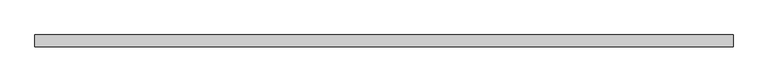
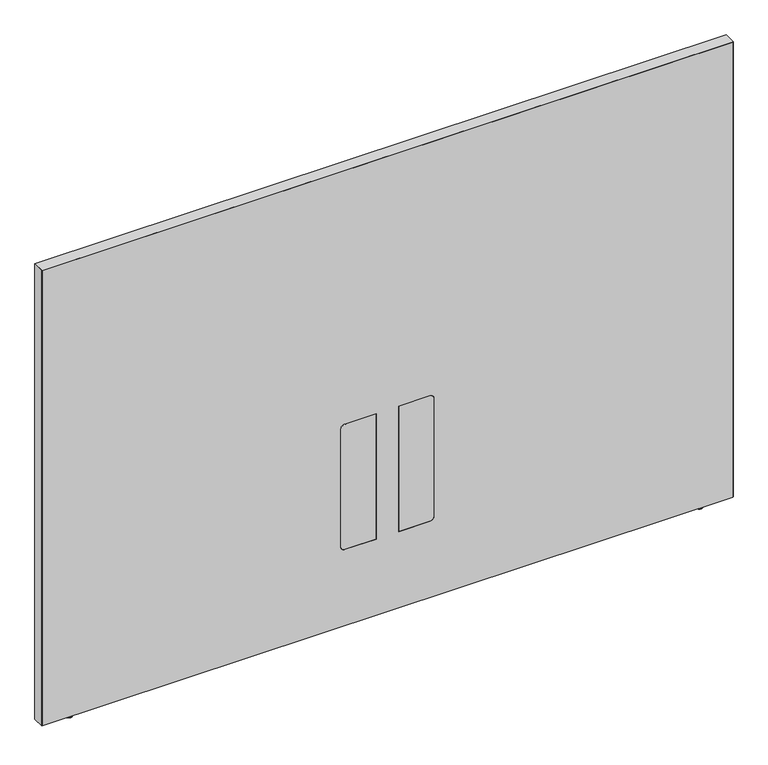
"""IFC4 building model written with IfcOpenShell, lengths in millimetres: furniture geometry."""

from ifc_helpers import new_model, si_unit, point, frame, frame_2d, origin, place, context, project, spatial, polyline, circle_curve, ellipse_curve, trimmed, segment, composite_curve, outline, extrude, source, transform, mapped, element, save
from ifc_brep_helpers import plane_surface, cylinder_surface, revolved_surface, advanced_brep


def furniture_38426107(model_context):
    return source(origin(), model_context, "Body", "SolidModel", [
        advanced_brep(
        [(-569.2902705, -14.8449166, 9.9059849), (-569.2902705, -5.9309607, 9.9059849), (-569.2902705, -23.7588726, 9.9059849), (-569.2902705, -5.9309607, 2.9673238), (-569.2902705, -23.7588726, 2.9673238), (-569.2902705, -6.8982978, 2.9673238), (-569.2902705, -22.7915354, 2.9673238), (-569.2902705, -6.8982978, 1.6569081), (-569.2902705, -22.7915354, 1.6569081), (-569.2902705, -8.5552059, 0.0), (-569.2902705, -21.1346274, 0.0), (-569.2902705, -14.8449166, 0.0)],
        [
            (0, 1),
            (1, 2, circle_curve(frame((-569.2902705, -14.8449166, 9.9059849), z_axis=(0.0, 0.0, 1.0), x_axis=(0.0, 1.0, 0.0)), 8.913956)),
            (2, 0),
            (2, 1, circle_curve(frame((-569.2902705, -14.8449166, 9.9059849), z_axis=(0.0, 0.0, 1.0), x_axis=(0.0, 1.0, 0.0)), 8.913956)),
            (1, 3),
            (3, 4, circle_curve(frame((-569.2902705, -14.8449166, 2.9673238), z_axis=(0.0, 0.0, 1.0), x_axis=(0.0, 1.0, 0.0)), 8.913956)),
            (4, 2),
            (4, 3, circle_curve(frame((-569.2902705, -14.8449166, 2.9673238), z_axis=(0.0, 0.0, 1.0), x_axis=(0.0, 1.0, 0.0)), 8.913956)),
            (3, 5),
            (5, 6, circle_curve(frame((-569.2902705, -14.8449166, 2.9673238), z_axis=(0.0, 0.0, 1.0), x_axis=(0.0, 1.0, 0.0)), 7.9466188)),
            (6, 4),
            (6, 5, circle_curve(frame((-569.2902705, -14.8449166, 2.9673238), z_axis=(0.0, 0.0, 1.0), x_axis=(0.0, 1.0, 0.0)), 7.9466188)),
            (5, 7),
            (7, 8, circle_curve(frame((-569.2902705, -14.8449166, 1.6569081), z_axis=(0.0, 0.0, 1.0), x_axis=(0.0, 1.0, 0.0)), 7.9466188)),
            (8, 6),
            (8, 7, circle_curve(frame((-569.2902705, -14.8449166, 1.6569081), z_axis=(0.0, 0.0, 1.0), x_axis=(0.0, 1.0, 0.0)), 7.9466188)),
            (7, 9, circle_curve(frame((-569.2902705, -8.5552059, 1.6569081), z_axis=(-1.0, 0.0, 0.0), x_axis=(0.0, 1.0, 0.0)), 1.6569081)),
            (9, 10, circle_curve(frame((-569.2902705, -14.8449166, 0.0), z_axis=(0.0, 0.0, 1.0), x_axis=(0.0, 1.0, 0.0)), 6.2897107)),
            (10, 8, circle_curve(frame((-569.2902705, -21.1346274, 1.6569081), z_axis=(-1.0, 0.0, 0.0), x_axis=(0.0, -1.0, 0.0)), 1.6569081)),
            (10, 9, circle_curve(frame((-569.2902705, -14.8449166, 0.0), z_axis=(0.0, 0.0, 1.0), x_axis=(0.0, 1.0, 0.0)), 6.2897107)),
            (9, 11),
            (11, 10),
        ],
        [
            plane_surface(frame((-569.2902705, -14.8449166, 9.9059849), z_axis=(0.0, 0.0, 1.0), x_axis=(0.0, 1.0, 0.0))),
            cylinder_surface(frame((-569.2902705, -14.8449166, 9.9059849), z_axis=(0.0, 0.0, 1.0), x_axis=(0.0, 1.0, 0.0)), 8.913956),
            plane_surface(frame((-569.2902705, -14.8449166, 2.9673238), z_axis=(0.0, 0.0, -1.0), x_axis=(0.0, 1.0, 0.0))),
            cylinder_surface(frame((-569.2902705, -14.8449166, 9.9059849), z_axis=(0.0, 0.0, 1.0), x_axis=(0.0, 1.0, 0.0)), 7.9466188),
            revolved_surface(trimmed(ellipse_curve(frame((-569.2902705, -8.5552059, 1.6569081), z_axis=(1.0, 0.0, 0.0), x_axis=(0.0, 1.0, 0.0)), 1.6569081, 1.6569081), [point((-569.2902705, -8.5552059, 0.0))], [point((-569.2902705, -6.8982978, 1.6569081))], True, "CARTESIAN"), (-569.2902705, -14.8449166, 9.9059849), (0.0, 0.0, 1.0)),
            plane_surface(frame((-569.2902705, -14.8449166, 0.0), z_axis=(0.0, 0.0, -1.0), x_axis=(0.0, 1.0, 0.0))),
        ],
        [
            (0, [[1, 2, 3]]),
            (0, [[-3, 4, -1]]),
            (1, [[-2, 5, 6, 7]]),
            (1, [[-4, -7, 8, -5]]),
            (2, [[-6, 9, 10, 11]]),
            (2, [[-8, -11, 12, -9]]),
            (3, [[-10, 13, 14, 15]]),
            (3, [[-12, -15, 16, -13]]),
            (4, [[-14, 17, 18, 19]]),
            (4, [[-16, -19, 20, -17]]),
            (5, [[-18, 21, 22]]),
            (5, [[-20, -22, -21]]),
        ],
    ),
        advanced_brep(
        [(1028.9286488, -23.7588726, 9.9059849), (1028.9286488, -5.9309607, 9.9059849), (1028.9286488, -14.8449166, 9.9059849), (1028.9286488, -23.7588726, 2.9673238), (1028.9286488, -5.9309607, 2.9673238), (1028.9286488, -22.7915354, 2.9673238), (1028.9286488, -6.8982978, 2.9673238), (1028.9286488, -22.7915354, 1.6569081), (1028.9286488, -6.8982978, 1.6569081), (1028.9286488, -21.1346274, 0.0), (1028.9286488, -8.5552059, 0.0), (1028.9286488, -14.8449166, 0.0)],
        [
            (0, 1, circle_curve(frame((1028.9286488, -14.8449166, 9.9059849), z_axis=(0.0, 0.0, 1.0), x_axis=(0.0, 1.0, 0.0)), 8.913956)),
            (1, 2),
            (2, 0),
            (1, 0, circle_curve(frame((1028.9286488, -14.8449166, 9.9059849), z_axis=(0.0, 0.0, 1.0), x_axis=(0.0, 1.0, 0.0)), 8.913956)),
            (3, 4, circle_curve(frame((1028.9286488, -14.8449166, 2.9673238), z_axis=(0.0, 0.0, 1.0), x_axis=(0.0, 1.0, 0.0)), 8.913956)),
            (4, 1),
            (0, 3),
            (4, 3, circle_curve(frame((1028.9286488, -14.8449166, 2.9673238), z_axis=(0.0, 0.0, 1.0), x_axis=(0.0, 1.0, 0.0)), 8.913956)),
            (5, 6, circle_curve(frame((1028.9286488, -14.8449166, 2.9673238), z_axis=(0.0, 0.0, 1.0), x_axis=(0.0, 1.0, 0.0)), 7.9466188)),
            (6, 4),
            (3, 5),
            (6, 5, circle_curve(frame((1028.9286488, -14.8449166, 2.9673238), z_axis=(0.0, 0.0, 1.0), x_axis=(0.0, 1.0, 0.0)), 7.9466188)),
            (7, 8, circle_curve(frame((1028.9286488, -14.8449166, 1.6569081), z_axis=(0.0, 0.0, 1.0), x_axis=(0.0, 1.0, 0.0)), 7.9466188)),
            (8, 6),
            (5, 7),
            (8, 7, circle_curve(frame((1028.9286488, -14.8449166, 1.6569081), z_axis=(0.0, 0.0, 1.0), x_axis=(0.0, 1.0, 0.0)), 7.9466188)),
            (9, 10, circle_curve(frame((1028.9286488, -14.8449166, 0.0), z_axis=(0.0, 0.0, 1.0), x_axis=(0.0, 1.0, 0.0)), 6.2897107)),
            (10, 8, circle_curve(frame((1028.9286488, -8.5552059, 1.6569081), z_axis=(1.0, 0.0, 0.0), x_axis=(0.0, 1.0, 0.0)), 1.6569081)),
            (7, 9, circle_curve(frame((1028.9286488, -21.1346274, 1.6569081), z_axis=(1.0, 0.0, 0.0), x_axis=(0.0, -1.0, 0.0)), 1.6569081)),
            (10, 9, circle_curve(frame((1028.9286488, -14.8449166, 0.0), z_axis=(0.0, 0.0, 1.0), x_axis=(0.0, 1.0, 0.0)), 6.2897107)),
            (11, 10),
            (9, 11),
        ],
        [
            plane_surface(frame((1028.9286488, -14.8449166, 9.9059849), z_axis=(0.0, 0.0, 1.0), x_axis=(0.0, 1.0, 0.0))),
            cylinder_surface(frame((1028.9286488, -14.8449166, 9.9059849), z_axis=(0.0, 0.0, -1.0), x_axis=(0.0, 1.0, 0.0)), 8.913956),
            plane_surface(frame((1028.9286488, -14.8449166, 2.9673238), z_axis=(0.0, 0.0, -1.0), x_axis=(0.0, 1.0, 0.0))),
            cylinder_surface(frame((1028.9286488, -14.8449166, 9.9059849), z_axis=(0.0, 0.0, -1.0), x_axis=(0.0, 1.0, 0.0)), 7.9466188),
            revolved_surface(trimmed(ellipse_curve(frame((1028.9286488, -8.5552059, 1.6569081), z_axis=(-1.0, 0.0, 0.0), x_axis=(0.0, 1.0, 0.0)), 1.6569081, 1.6569081), [point((1028.9286488, -6.8982978, 1.6569081))], [point((1028.9286488, -8.5552059, 0.0))], True, "CARTESIAN"), (1028.9286488, -14.8449166, 9.9059849), (0.0, 0.0, -1.0)),
            plane_surface(frame((1028.9286488, -14.8449166, 0.0), z_axis=(0.0, 0.0, -1.0), x_axis=(0.0, 1.0, 0.0))),
        ],
        [
            (0, [[1, 2, 3]]),
            (0, [[4, -3, -2]]),
            (1, [[5, 6, -1, 7]]),
            (1, [[8, -7, -4, -6]]),
            (2, [[9, 10, -5, 11]]),
            (2, [[12, -11, -8, -10]]),
            (3, [[13, 14, -9, 15]]),
            (3, [[16, -15, -12, -14]]),
            (4, [[17, 18, -13, 19]]),
            (4, [[20, -19, -16, -18]]),
            (5, [[21, -17, 22]]),
            (5, [[-22, -20, -21]]),
        ],
    ),
        advanced_brep(
        [(1105.0780168, 0.0, 1229.142118), (1105.0780168, 0.0, 9.9059849), (-645.4902221, 0.0, 9.9059849), (-645.4902221, 0.0, 1229.142118), (1105.0780168, -29.6898332, 1229.142118), (-645.4902221, -29.6898332, 1229.142118), (-645.4902221, -29.6898332, 9.9059849), (1105.0780168, -29.6898332, 9.9059849), (337.7883813, -29.6898332, 549.6162029), (347.9483813, -29.6898332, 539.4562029), (347.9483813, -29.6898332, 223.9362137), (337.7883813, -29.6898332, 213.7762137), (258.1344836, -29.6898332, 213.7762137), (258.1344836, -29.6898332, 549.6162029), (121.849997, -29.6898332, 549.6162029), (201.5038947, -29.6898332, 549.6162029), (201.5038947, -29.6898332, 213.7762137), (121.849997, -29.6898332, 213.7762137), (111.689997, -29.6898332, 223.9362137), (111.689997, -29.6898332, 539.4562029), (258.1344836, -29.0550397, 549.6162029), (337.7883813, -29.0550397, 549.6162029), (258.1344836, -29.0550397, 213.7762137), (337.7883813, -29.0550397, 213.7762137), (347.9483813, -29.0550397, 223.9362137), (347.9483813, -29.0550397, 539.4562029), (121.849997, -29.0550397, 549.6162029), (111.689997, -29.0550397, 539.4562029), (111.689997, -29.0550397, 223.9362137), (121.849997, -29.0550397, 213.7762137), (201.5038947, -29.0550397, 213.7762137), (201.5038947, -29.0550397, 549.6162029)],
        [
            (0, 1),
            (1, 2),
            (2, 3),
            (3, 0),
            (4, 5),
            (5, 6),
            (6, 7),
            (7, 4),
            (8, 9, circle_curve(frame((337.7883813, -29.6898332, 539.4562029), z_axis=(0.0, 1.0, 0.0), x_axis=(0.0, 0.0, 1.0)), 10.16)),
            (9, 10),
            (10, 11, circle_curve(frame((337.7883813, -29.6898332, 223.9362137), z_axis=(0.0, 1.0, 0.0), x_axis=(0.0, 0.0, 1.0)), 10.16)),
            (11, 12),
            (12, 13),
            (13, 8),
            (14, 15),
            (15, 16),
            (16, 17),
            (17, 18, circle_curve(frame((121.849997, -29.6898332, 223.9362137), z_axis=(0.0, 1.0, 0.0), x_axis=(0.0, 0.0, 1.0)), 10.16)),
            (18, 19),
            (19, 14, circle_curve(frame((121.849997, -29.6898332, 539.4562029), z_axis=(0.0, 1.0, 0.0), x_axis=(0.0, 0.0, 1.0)), 10.16)),
            (0, 4),
            (7, 1),
            (6, 2),
            (5, 3),
            (13, 20),
            (20, 21),
            (21, 8),
            (12, 22),
            (22, 20),
            (11, 23),
            (23, 22),
            (10, 24),
            (24, 23, circle_curve(frame((337.7883813, -29.0550397, 223.9362137), z_axis=(0.0, 1.0, 0.0), x_axis=(0.0, 0.0, 1.0)), 10.16)),
            (9, 25),
            (25, 24),
            (21, 25, circle_curve(frame((337.7883813, -29.0550397, 539.4562029), z_axis=(0.0, 1.0, 0.0), x_axis=(0.0, 0.0, 1.0)), 10.16)),
            (26, 27, circle_curve(frame((121.849997, -29.0550397, 539.4562029), z_axis=(0.0, -1.0, 0.0), x_axis=(0.0, 0.0, 1.0)), 10.16)),
            (27, 28),
            (28, 29, circle_curve(frame((121.849997, -29.0550397, 223.9362137), z_axis=(0.0, -1.0, 0.0), x_axis=(0.0, 0.0, 1.0)), 10.16)),
            (29, 30),
            (30, 31),
            (31, 26),
            (19, 27),
            (26, 14),
            (18, 28),
            (17, 29),
            (16, 30),
            (15, 31),
        ],
        [
            plane_surface(frame((1105.0780168, 0.0, 1229.142118), z_axis=(0.0, 1.0, 0.0), x_axis=(0.0, 0.0, -1.0))),
            plane_surface(frame((1105.0780168, -29.6898332, 1229.142118), z_axis=(0.0, -1.0, 0.0), x_axis=(0.0, 0.0, 1.0))),
            plane_surface(frame((1105.0780168, 0.0, 1229.142118), z_axis=(1.0, 0.0, 0.0), x_axis=(0.0, -1.0, 0.0))),
            plane_surface(frame((1105.0780168, 0.0, 9.9059849), z_axis=(0.0, 0.0, -1.0), x_axis=(0.0, -1.0, 0.0))),
            plane_surface(frame((-645.4902221, 0.0, 9.9059849), z_axis=(-1.0, 0.0, 0.0), x_axis=(0.0, -1.0, 0.0))),
            plane_surface(frame((-645.4902221, 0.0, 1229.142118), z_axis=(0.0, 0.0, 1.0), x_axis=(0.0, -1.0, 0.0))),
            plane_surface(frame((337.7883813, 0.0, 549.6162029), z_axis=(0.0, 0.0, -1.0), x_axis=(0.0, -1.0, 0.0))),
            plane_surface(frame((258.1344836, 0.0, 549.6162029), z_axis=(1.0, 0.0, 0.0), x_axis=(0.0, -1.0, 0.0))),
            plane_surface(frame((258.1344836, 0.0, 213.7762137), z_axis=(0.0, 0.0, 1.0), x_axis=(0.0, -1.0, 0.0))),
            revolved_surface(polyline([(337.7883813, -29.6898332, 234.0962137), (337.7883813, -29.0550397, 234.0962137)]), (337.7883813, -29.6898332, 223.9362137), (0.0, -1.0, 0.0)),
            plane_surface(frame((347.9483813, 0.0, 223.9362137), z_axis=(-1.0, 0.0, 0.0), x_axis=(0.0, -1.0, 0.0))),
            revolved_surface(polyline([(337.7883813, -29.6898332, 549.6162029), (337.7883813, -29.0550397, 549.6162029)]), (337.7883813, -29.6898332, 539.4562029), (0.0, -1.0, 0.0)),
            plane_surface(frame((347.9483813, -29.0550397, 549.6162029), z_axis=(0.0, -1.0, 0.0), x_axis=(0.0, 0.0, 1.0))),
            revolved_surface(polyline([(121.849997, -29.6898332, 549.6162029), (121.849997, -29.0550397, 549.6162029)]), (121.849997, -29.6898332, 539.4562029), (0.0, -1.0, 0.0)),
            plane_surface(frame((111.689997, 0.0, 539.4562029), z_axis=(1.0, 0.0, 0.0), x_axis=(0.0, -1.0, 0.0))),
            revolved_surface(polyline([(121.849997, -29.6898332, 234.0962137), (121.849997, -29.0550397, 234.0962137)]), (121.849997, -29.6898332, 223.9362137), (0.0, -1.0, 0.0)),
            plane_surface(frame((121.849997, 0.0, 213.7762137), z_axis=(0.0, 0.0, 1.0), x_axis=(0.0, -1.0, 0.0))),
            plane_surface(frame((201.5038947, 0.0, 213.7762137), z_axis=(-1.0, 0.0, 0.0), x_axis=(0.0, -1.0, 0.0))),
            plane_surface(frame((201.5038947, 0.0, 549.6162029), z_axis=(0.0, 0.0, -1.0), x_axis=(0.0, -1.0, 0.0))),
        ],
        [
            (0, [[1, 2, 3, 4]]),
            (1, [[5, 6, 7, 8], [9, 10, 11, 12, 13, 14], [15, 16, 17, 18, 19, 20]]),
            (2, [[-1, 21, -8, 22]]),
            (3, [[-2, -22, -7, 23]]),
            (4, [[-3, -23, -6, 24]]),
            (5, [[-4, -24, -5, -21]]),
            (6, [[-14, 25, 26, 27]]),
            (7, [[-13, 28, 29, -25]]),
            (8, [[-12, 30, 31, -28]]),
            (9, [[-11, 32, 33, -30]]),
            (10, [[-10, 34, 35, -32]]),
            (11, [[-9, -27, 36, -34]]),
            (12, [[-26, -29, -31, -33, -35, -36]]),
            (12, [[37, 38, 39, 40, 41, 42]]),
            (13, [[-20, 43, -37, 44]]),
            (14, [[-19, 45, -38, -43]]),
            (15, [[-18, 46, -39, -45]]),
            (16, [[-17, 47, -40, -46]]),
            (17, [[-16, 48, -41, -47]]),
            (18, [[-15, -44, -42, -48]]),
        ],
    ),
        extrude(outline(composite_curve([segment(polyline([(549.6162029, 337.7883813), (549.6162029, 258.1344836), (213.7762137, 258.1344836), (213.7762137, 337.7883813)]), True, "CONTINUOUS"), segment(trimmed(circle_curve(frame_2d((223.9362137, 337.7883813)), 10.16), [point((213.7762137, 337.7883813))], [point((223.9362137, 347.9483813))], False, "CARTESIAN"), True, "CONTINUOUS"), segment(polyline([(223.9362137, 347.9483813), (539.4562029, 347.9483813)]), True, "CONTINUOUS"), segment(trimmed(circle_curve(frame_2d((539.4562029, 337.7883813)), 10.16), [point((539.4562029, 347.9483813))], [point((549.6162029, 337.7883813))], False, "CARTESIAN"), True, "CONTINUOUS")], self_intersect=False)), frame((0.0, -29.6898332, 0.0), z_axis=(0.0, 1.0, 0.0), x_axis=(0.0, 0.0, 1.0)), (0.0, 0.0, 1.0), 0.6347935),
        extrude(outline(composite_curve([segment(trimmed(circle_curve(frame_2d((539.4562029, 121.849997)), 10.16), [point((549.6162029, 121.849997))], [point((539.4562029, 111.689997))], False, "CARTESIAN"), True, "CONTINUOUS"), segment(polyline([(539.4562029, 111.689997), (223.9362137, 111.689997)]), True, "CONTINUOUS"), segment(trimmed(circle_curve(frame_2d((223.9362137, 121.849997)), 10.16), [point((223.9362137, 111.689997))], [point((213.7762137, 121.849997))], False, "CARTESIAN"), True, "CONTINUOUS"), segment(polyline([(213.7762137, 121.849997), (213.7762137, 201.5038947), (549.6162029, 201.5038947), (549.6162029, 121.849997)]), True, "CONTINUOUS")], self_intersect=False)), frame((0.0, -29.6898332, 0.0), z_axis=(0.0, 1.0, 0.0), x_axis=(0.0, 0.0, 1.0)), (0.0, 0.0, 1.0), 0.6347935),
        extrude(outline(polyline([(1230.122, 1106.1191891), (1230.122, -646.4808109), (9.9059849, -646.4808109), (9.9059849, -645.4902221), (1229.142118, -645.4902221), (1229.142118, 1105.0780168), (9.9059849, 1105.0780168), (9.9059849, 1106.1191891), (1230.122, 1106.1191891)])), frame((0.0, -29.6898332, 0.0), z_axis=(0.0, 1.0, 0.0), x_axis=(0.0, 0.0, 1.0)), (0.0, 0.0, 1.0), 29.6898332),
    ])


if __name__ == "__main__":
    model = new_model("IFC4")
    model_context = context("Model", 3, world=origin())
    ifc_project = project(units=[si_unit("LENGTHUNIT", "METRE", prefix="MILLI")], contexts=[model_context])
    site = spatial("IfcSite", under=ifc_project)
    building = spatial("IfcBuilding", under=site)
    placement = place(None, origin())
    furniture_shape = furniture_38426107(model_context)
    element("IfcFurniture", 1, at=placement, inside=building, context=model_context, shape_type="MappedRepresentation", body=[
        mapped(furniture_shape, transform((0.0, 0.0, 0.0), x_axis=(1.0, 0.0, 0.0), y_axis=(0.0, 1.0, 0.0), z_axis=(0.0, 0.0, 1.0))),
    ])
    save(model, "model.ifc")
